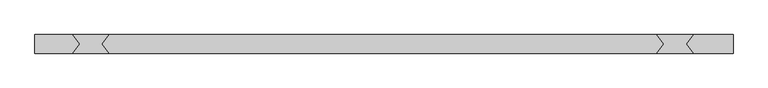
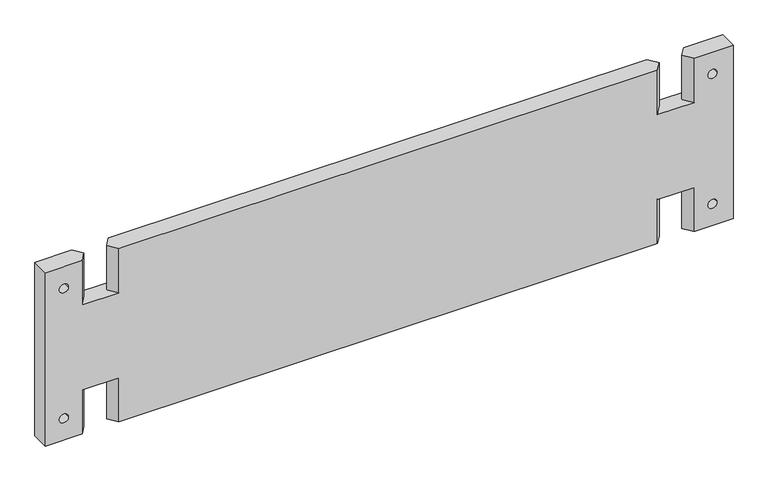
"""IFC4 building model written with IfcOpenShell, lengths in millimetres: proxy geometry."""

from ifc_helpers import new_model, si_unit, frame, origin, place, context, project, spatial, polyline, circle_curve, source, transform, mapped, element, save
from ifc_brep_helpers import plane_surface, revolved_surface, advanced_brep


def generic_models_9058d96c(model_context):
    return source(origin(), model_context, "Body", "AdvancedBrep", [
        advanced_brep(
        [(-747.5379144, 20.0, 400.0), (-747.5379144, -20.0, 400.0), (-667.5379144, -20.0, 400.0), (-652.4668334, 0.0, 400.0), (-667.5379144, 20.0, 400.0), (752.4620856, -20.0, 400.0), (752.4620856, 20.0, 400.0), (667.5379144, 20.0, 400.0), (652.4668334, 0.0, 400.0), (667.5379144, -20.0, 400.0), (-602.6089954, 0.0, 400.0), (-587.5379144, -20.0, 400.0), (587.5379144, -20.0, 400.0), (602.6089954, 0.0, 400.0), (587.5379144, 20.0, 400.0), (-587.5379144, 20.0, 400.0), (752.4620856, 20.0, 0.0), (752.4620856, -20.0, 0.0), (667.5379144, -20.0, 0.0), (652.4668334, 0.0, 0.0), (667.5379144, 20.0, 0.0), (-747.5379144, -20.0, 0.0), (-747.5379144, 20.0, 0.0), (-667.5379144, 20.0, 0.0), (-652.4668334, 0.0, 0.0), (-667.5379144, -20.0, 0.0), (-587.5379144, -20.0, 0.0), (-602.6089954, 0.0, 0.0), (-587.5379144, 20.0, 0.0), (587.5379144, 20.0, 0.0), (602.6089954, 0.0, 0.0), (587.5379144, -20.0, 0.0), (667.5379144, 20.0, 102.0), (587.5379144, 20.0, 102.0), (-587.5379144, 20.0, 102.0), (-667.5379144, 20.0, 102.0), (-667.5379144, 20.0, 298.0), (-587.5379144, 20.0, 298.0), (587.5379144, 20.0, 298.0), (667.5379144, 20.0, 298.0), (-717.5379144, 20.0, 50.0), (-697.5379144, 20.0, 50.0), (697.5379144, 20.0, 50.0), (717.5379144, 20.0, 50.0), (-697.5379144, 20.0, 350.0), (-717.5379144, 20.0, 350.0), (717.5379144, 20.0, 350.0), (697.5379144, 20.0, 350.0), (-667.5379144, -20.0, 102.0), (-587.5379144, -20.0, 102.0), (587.5379144, -20.0, 102.0), (667.5379144, -20.0, 102.0), (667.5379144, -20.0, 298.0), (587.5379144, -20.0, 298.0), (-587.5379144, -20.0, 298.0), (-667.5379144, -20.0, 298.0), (-697.5379144, -20.0, 50.0), (-717.5379144, -20.0, 50.0), (717.5379144, -20.0, 50.0), (697.5379144, -20.0, 50.0), (-717.5379144, -20.0, 350.0), (-697.5379144, -20.0, 350.0), (697.5379144, -20.0, 350.0), (717.5379144, -20.0, 350.0), (-602.6089954, 0.0, 102.0), (-652.4668334, 0.0, 102.0), (652.4668334, 0.0, 102.0), (602.6089954, 0.0, 102.0), (-652.4668334, 0.0, 298.0), (-602.6089954, 0.0, 298.0), (602.6089954, 0.0, 298.0), (652.4668334, 0.0, 298.0)],
        [
            (0, 1),
            (1, 2),
            (2, 3),
            (3, 4),
            (4, 0),
            (5, 6),
            (6, 7),
            (7, 8),
            (8, 9),
            (9, 5),
            (10, 11),
            (11, 12),
            (12, 13),
            (13, 14),
            (14, 15),
            (15, 10),
            (16, 17),
            (17, 18),
            (18, 19),
            (19, 20),
            (20, 16),
            (21, 22),
            (22, 23),
            (23, 24),
            (24, 25),
            (25, 21),
            (26, 27),
            (27, 28),
            (28, 29),
            (29, 30),
            (30, 31),
            (31, 26),
            (6, 16),
            (20, 32),
            (32, 33),
            (33, 29),
            (28, 34),
            (34, 35),
            (35, 23),
            (22, 0),
            (4, 36),
            (36, 37),
            (37, 15),
            (14, 38),
            (38, 39),
            (39, 7),
            (40, 41, circle_curve(frame((-707.5379144, 20.0, 50.0), z_axis=(0.0, -1.0, 0.0), x_axis=(1.0, 0.0, 0.0)), 10.0)),
            (41, 40, circle_curve(frame((-707.5379144, 20.0, 50.0), z_axis=(0.0, -1.0, 0.0), x_axis=(1.0, 0.0, 0.0)), 10.0)),
            (42, 43, circle_curve(frame((707.5379144, 20.0, 50.0), z_axis=(0.0, -1.0, 0.0), x_axis=(-1.0, 0.0, 0.0)), 10.0)),
            (43, 42, circle_curve(frame((707.5379144, 20.0, 50.0), z_axis=(0.0, -1.0, 0.0), x_axis=(-1.0, 0.0, 0.0)), 10.0)),
            (44, 45, circle_curve(frame((-707.5379144, 20.0, 350.0), z_axis=(0.0, -1.0, 0.0), x_axis=(1.0, 0.0, 0.0)), 10.0)),
            (45, 44, circle_curve(frame((-707.5379144, 20.0, 350.0), z_axis=(0.0, -1.0, 0.0), x_axis=(1.0, 0.0, 0.0)), 10.0)),
            (46, 47, circle_curve(frame((707.5379144, 20.0, 350.0), z_axis=(0.0, -1.0, 0.0), x_axis=(-1.0, 0.0, 0.0)), 10.0)),
            (47, 46, circle_curve(frame((707.5379144, 20.0, 350.0), z_axis=(0.0, -1.0, 0.0), x_axis=(-1.0, 0.0, 0.0)), 10.0)),
            (21, 1),
            (25, 48),
            (48, 49),
            (49, 26),
            (31, 50),
            (50, 51),
            (51, 18),
            (17, 5),
            (9, 52),
            (52, 53),
            (53, 12),
            (11, 54),
            (54, 55),
            (55, 2),
            (56, 57, circle_curve(frame((-707.5379144, -20.0, 50.0), z_axis=(0.0, 1.0, 0.0), x_axis=(1.0, 0.0, 0.0)), 10.0)),
            (57, 56, circle_curve(frame((-707.5379144, -20.0, 50.0), z_axis=(0.0, 1.0, 0.0), x_axis=(1.0, 0.0, 0.0)), 10.0)),
            (58, 59, circle_curve(frame((707.5379144, -20.0, 50.0), z_axis=(0.0, 1.0, 0.0), x_axis=(-1.0, 0.0, 0.0)), 10.0)),
            (59, 58, circle_curve(frame((707.5379144, -20.0, 50.0), z_axis=(0.0, 1.0, 0.0), x_axis=(-1.0, 0.0, 0.0)), 10.0)),
            (60, 61, circle_curve(frame((-707.5379144, -20.0, 350.0), z_axis=(0.0, 1.0, 0.0), x_axis=(1.0, 0.0, 0.0)), 10.0)),
            (61, 60, circle_curve(frame((-707.5379144, -20.0, 350.0), z_axis=(0.0, 1.0, 0.0), x_axis=(1.0, 0.0, 0.0)), 10.0)),
            (62, 63, circle_curve(frame((707.5379144, -20.0, 350.0), z_axis=(0.0, 1.0, 0.0), x_axis=(-1.0, 0.0, 0.0)), 10.0)),
            (63, 62, circle_curve(frame((707.5379144, -20.0, 350.0), z_axis=(0.0, 1.0, 0.0), x_axis=(-1.0, 0.0, 0.0)), 10.0)),
            (34, 64),
            (64, 49),
            (48, 65),
            (65, 35),
            (65, 24),
            (64, 27),
            (32, 66),
            (66, 51),
            (50, 67),
            (67, 33),
            (19, 66),
            (30, 67),
            (36, 68),
            (68, 55),
            (54, 69),
            (69, 37),
            (3, 68),
            (10, 69),
            (38, 70),
            (70, 53),
            (52, 71),
            (71, 39),
            (71, 8),
            (70, 13),
            (56, 41),
            (40, 57),
            (58, 43),
            (42, 59),
            (60, 45),
            (44, 61),
            (62, 47),
            (46, 63),
        ],
        [
            plane_surface(frame((-747.5379144, 20.0, 400.0), z_axis=(0.0, 0.0, 1.0), x_axis=(-1.0, 0.0, 0.0))),
            plane_surface(frame((-747.5379144, 20.0, 0.0), z_axis=(0.0, 0.0, -1.0), x_axis=(1.0, 0.0, 0.0))),
            plane_surface(frame((752.4620856, 20.0, 400.0), z_axis=(0.0, 1.0, 0.0), x_axis=(0.0, 0.0, -1.0))),
            plane_surface(frame((-747.5379144, 20.0, 400.0), z_axis=(-1.0, 0.0, 0.0), x_axis=(0.0, 0.0, -1.0))),
            plane_surface(frame((-747.5379144, -20.0, 400.0), z_axis=(0.0, -1.0, 0.0), x_axis=(0.0, 0.0, -1.0))),
            plane_surface(frame((752.4620856, -20.0, 400.0), z_axis=(1.0, 0.0, 0.0), x_axis=(0.0, 0.0, -1.0))),
            plane_surface(frame((-667.5379144, 20.0, 102.0), z_axis=(0.0, 0.0, -1.0), x_axis=(-1.0, 0.0, 0.0))),
            plane_surface(frame((-667.5379144, 20.0, 102.0), z_axis=(0.7986355100472906, 0.6018150231520514, 0.0), x_axis=(0.0, 0.0, -1.0))),
            plane_surface(frame((-652.4668334, 0.0, 102.0), z_axis=(0.7986355100472912, -0.6018150231520506, 0.0), x_axis=(0.0, 0.0, -1.0))),
            plane_surface(frame((-587.5379144, -20.0, 102.0), z_axis=(-0.7986355100472906, -0.6018150231520514, 0.0), x_axis=(0.0, 0.0, -1.0))),
            plane_surface(frame((-602.6089954, 0.0, 102.0), z_axis=(-0.7986355100472912, 0.6018150231520506, 0.0), x_axis=(0.0, 0.0, -1.0))),
            plane_surface(frame((587.5379144, 20.0, 102.0), z_axis=(0.0, 0.0, -1.0), x_axis=(0.6018150231520506, -0.7986355100472912, 0.0))),
            plane_surface(frame((652.4668334, 0.0, 102.0), z_axis=(-0.7986355100472906, 0.6018150231520514, 0.0), x_axis=(0.0, 0.0, -1.0))),
            plane_surface(frame((667.5379144, -20.0, 102.0), z_axis=(-0.7986355100472912, -0.6018150231520506, 0.0), x_axis=(0.0, 0.0, -1.0))),
            plane_surface(frame((602.6089954, 0.0, 102.0), z_axis=(0.7986355100472906, -0.6018150231520514, 0.0), x_axis=(0.0, 0.0, -1.0))),
            plane_surface(frame((587.5379144, 20.0, 102.0), z_axis=(0.7986355100472912, 0.6018150231520506, 0.0), x_axis=(0.0, 0.0, -1.0))),
            plane_surface(frame((-667.5379144, 20.0, 298.0), z_axis=(0.0, 0.0, 1.0), x_axis=(1.0, 0.0, 0.0))),
            plane_surface(frame((-667.5379144, 20.0, 400.0), z_axis=(0.7986355100472906, 0.6018150231520514, 0.0), x_axis=(0.0, 0.0, -1.0))),
            plane_surface(frame((-652.4668334, 0.0, 400.0), z_axis=(0.7986355100472912, -0.6018150231520506, 0.0), x_axis=(0.0, 0.0, -1.0))),
            plane_surface(frame((-587.5379144, -20.0, 400.0), z_axis=(-0.7986355100472906, -0.6018150231520514, 0.0), x_axis=(0.0, 0.0, -1.0))),
            plane_surface(frame((-602.6089954, 0.0, 400.0), z_axis=(-0.7986355100472912, 0.6018150231520506, 0.0), x_axis=(0.0, 0.0, -1.0))),
            plane_surface(frame((587.5379144, 20.0, 298.0), z_axis=(0.0, 0.0, 1.0), x_axis=(-0.6018150231520506, 0.7986355100472912, 0.0))),
            plane_surface(frame((652.4668334, 0.0, 400.0), z_axis=(-0.7986355100472906, 0.6018150231520514, 0.0), x_axis=(0.0, 0.0, -1.0))),
            plane_surface(frame((667.5379144, -20.0, 400.0), z_axis=(-0.7986355100472912, -0.6018150231520506, 0.0), x_axis=(0.0, 0.0, -1.0))),
            plane_surface(frame((602.6089954, 0.0, 400.0), z_axis=(0.7986355100472906, -0.6018150231520514, 0.0), x_axis=(0.0, 0.0, -1.0))),
            plane_surface(frame((587.5379144, 20.0, 400.0), z_axis=(0.7986355100472912, 0.6018150231520506, 0.0), x_axis=(0.0, 0.0, -1.0))),
            revolved_surface(polyline([(-697.5379144, -20.0, 50.0), (-697.5379144, 20.0, 50.0)]), (-707.5379144, 20.0, 50.0), (0.0, -1.0, 0.0)),
            revolved_surface(polyline([(697.5379144, -20.0, 50.0), (697.5379144, 20.0, 50.0)]), (707.5379144, 20.0, 50.0), (0.0, -1.0, 0.0)),
            revolved_surface(polyline([(-697.5379144, -20.0, 350.0), (-697.5379144, 20.0, 350.0)]), (-707.5379144, 20.0, 350.0), (0.0, -1.0, 0.0)),
            revolved_surface(polyline([(697.5379144, -20.0, 350.0), (697.5379144, 20.0, 350.0)]), (707.5379144, 20.0, 350.0), (0.0, -1.0, 0.0)),
        ],
        [
            (0, [[1, 2, 3, 4, 5]]),
            (0, [[6, 7, 8, 9, 10]]),
            (0, [[11, 12, 13, 14, 15, 16]]),
            (1, [[17, 18, 19, 20, 21]]),
            (1, [[22, 23, 24, 25, 26]]),
            (1, [[27, 28, 29, 30, 31, 32]]),
            (2, [[33, -21, 34, 35, 36, -29, 37, 38, 39, -23, 40, -5, 41, 42, 43, -15, 44, 45, 46, -7], [47, 48], [49, 50], [51, 52], [53, 54]]),
            (3, [[-1, -40, -22, 55]]),
            (4, [[-55, -26, 56, 57, 58, -32, 59, 60, 61, -18, 62, -10, 63, 64, 65, -12, 66, 67, 68, -2], [69, 70], [71, 72], [73, 74], [75, 76]]),
            (5, [[-6, -62, -17, -33]]),
            (6, [[77, 78, -57, 79, 80, -38]]),
            (7, [[-80, 81, -24, -39]]),
            (8, [[-79, -56, -25, -81]]),
            (9, [[-78, 82, -27, -58]]),
            (10, [[-77, -37, -28, -82]]),
            (11, [[83, 84, -60, 85, 86, -35]]),
            (12, [[-83, -34, -20, 87]]),
            (13, [[-84, -87, -19, -61]]),
            (14, [[-85, -59, -31, 88]]),
            (15, [[-86, -88, -30, -36]]),
            (16, [[89, 90, -67, 91, 92, -42]]),
            (17, [[-89, -41, -4, 93]]),
            (18, [[-90, -93, -3, -68]]),
            (19, [[-91, -66, -11, 94]]),
            (20, [[-92, -94, -16, -43]]),
            (21, [[95, 96, -64, 97, 98, -45]]),
            (22, [[-98, 99, -8, -46]]),
            (23, [[-97, -63, -9, -99]]),
            (24, [[-96, 100, -13, -65]]),
            (25, [[-95, -44, -14, -100]]),
            (26, [[101, -47, 102, -69]]),
            (26, [[-101, -70, -102, -48]]),
            (27, [[103, -49, 104, -71]]),
            (27, [[-103, -72, -104, -50]]),
            (28, [[105, -51, 106, -73]]),
            (28, [[-105, -74, -106, -52]]),
            (29, [[107, -53, 108, -75]]),
            (29, [[-107, -76, -108, -54]]),
        ],
    ),
    ])


if __name__ == "__main__":
    model = new_model("IFC4")
    model_context = context("Model", 3, world=origin())
    ifc_project = project(units=[si_unit("LENGTHUNIT", "METRE", prefix="MILLI")], contexts=[model_context])
    site = spatial("IfcSite", under=ifc_project)
    building = spatial("IfcBuilding", under=site)
    placement = place(None, origin())
    generic_models_shape = generic_models_9058d96c(model_context)
    element("IfcBuildingElementProxy", 1, Name="Generic Models", at=placement, inside=building, context=model_context, shape_type="MappedRepresentation", body=[
        mapped(generic_models_shape, transform((0.0, 0.0, 0.0), x_axis=(1.0, 0.0, 0.0), y_axis=(0.0, 1.0, 0.0), z_axis=(0.0, 0.0, 1.0))),
    ])
    save(model, "model.ifc")
